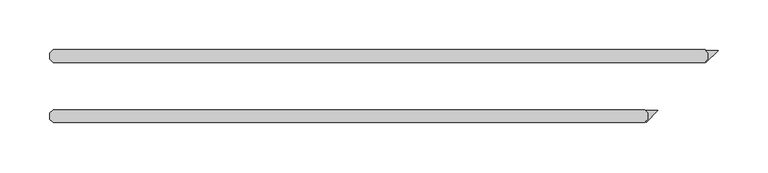
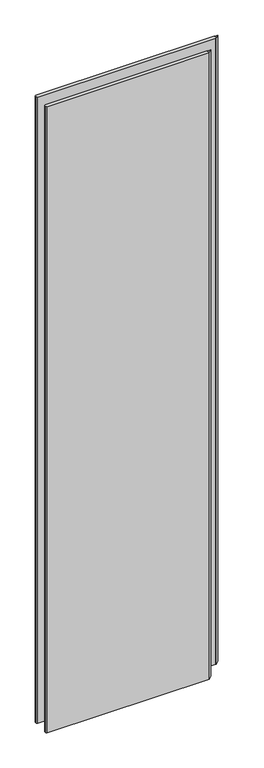
"""IFC4 building model written with IfcOpenShell, lengths in millimetres: plate geometry."""

from ifc_helpers import new_model, si_unit, origin, origin_with_axes, place, context, project, spatial, polyline, outline, extrude, source, transform, mapped, element, save


def plate_c12a5350(model_context):
    return source(origin(), model_context, "Body", "SweptSolid", [
        extrude(outline(polyline([(282.643093, -26.9875), (280.261843, -24.60625), (292.496875, -24.60625), (280.7808699, -36.3222551), (280.2196039, -35.7609891), (282.643093, -33.3375), (282.643093, -26.9875)])), origin_with_axes(), (0.0, 0.0, 1.0), 2428.7789267),
        extrude(outline(polyline([(342.968093, 33.3375), (340.586843, 35.71875), (352.821875, 35.71875), (341.1058699, 24.0027449), (340.5446039, 24.5640109), (342.968093, 26.9875), (342.968093, 33.3375)])), origin_with_axes(), (0.0, 0.0, 1.0), 2428.7789267),
        extrude(outline(polyline([(279.468093, -23.8125), (282.643093, -26.9875), (282.643093, -33.3375), (279.468093, -36.5125), (-313.928125, -36.5125), (-317.103125, -33.3375), (-317.103125, -26.9875), (-313.928125, -23.8125), (279.468093, -23.8125)])), origin_with_axes(), (0.0, 0.0, 1.0), 2428.7789267),
        extrude(outline(polyline([(339.793093, 36.5125), (342.968093, 33.3375), (342.968093, 26.9875), (339.793093, 23.8125), (-313.928125, 23.8125), (-317.103125, 26.9875), (-317.103125, 33.3375), (-313.928125, 36.5125), (339.793093, 36.5125)])), origin_with_axes(), (0.0, 0.0, 1.0), 2428.7789267),
    ])


if __name__ == "__main__":
    model = new_model("IFC4")
    model_context = context("Model", 3, world=origin())
    ifc_project = project(units=[si_unit("LENGTHUNIT", "METRE", prefix="MILLI")], contexts=[model_context])
    site = spatial("IfcSite", under=ifc_project)
    building = spatial("IfcBuilding", under=site)
    placement = place(None, origin())
    plate_shape = plate_c12a5350(model_context)
    element("IfcPlate", 1, at=placement, inside=building, context=model_context, shape_type="MappedRepresentation", body=[
        mapped(plate_shape, transform((0.0, 0.0, 0.0), x_axis=(1.0, 0.0, 0.0), y_axis=(0.0, 1.0, 0.0), z_axis=(0.0, 0.0, 1.0))),
    ])
    save(model, "model.ifc")
